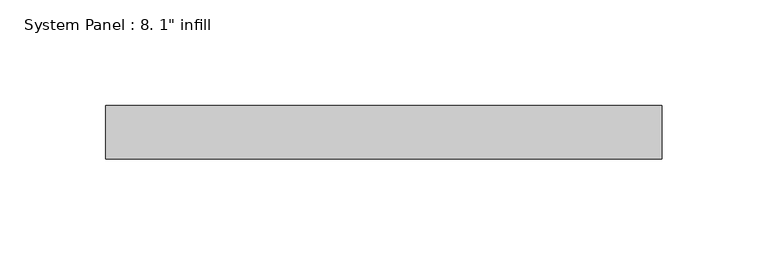
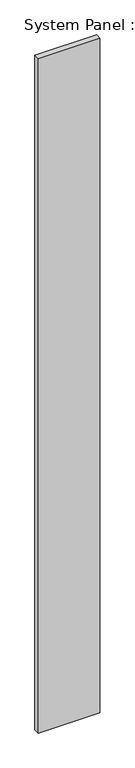
"""IFC4 building model written with IfcOpenShell, lengths in millimetres: plate geometry."""

from ifc_helpers import new_model, si_unit, origin, origin_with_axes, place, context, project, spatial, polyline, outline, extrude, source, transform, mapped, element, save


def plate_e38f23c7(model_context):
    return source(origin(), model_context, "Body", "SweptSolid", [
        extrude(outline(polyline([(131.7625, 0.0), (-131.7625, 0.0), (-131.7625, 25.4), (131.7625, 25.4), (131.7625, 0.0)])), origin_with_axes(), (0.0, 0.0, 1.0), 3048.0),
    ])


if __name__ == "__main__":
    model = new_model("IFC4")
    model_context = context("Model", 3, world=origin())
    ifc_project = project(units=[si_unit("LENGTHUNIT", "METRE", prefix="MILLI")], contexts=[model_context])
    site = spatial("IfcSite", under=ifc_project)
    building = spatial("IfcBuilding", under=site)
    placement = place(None, origin())
    plate_shape = plate_e38f23c7(model_context)
    element("IfcPlate", 1, ObjectType="System Panel : 8. 1\" infill", at=placement, inside=building, context=model_context, shape_type="MappedRepresentation", body=[
        mapped(plate_shape, transform((0.0, 0.0, 0.0), x_axis=(1.0, 0.0, 0.0), y_axis=(0.0, 1.0, 0.0), z_axis=(0.0, 0.0, 1.0))),
    ])
    save(model, "model.ifc")
